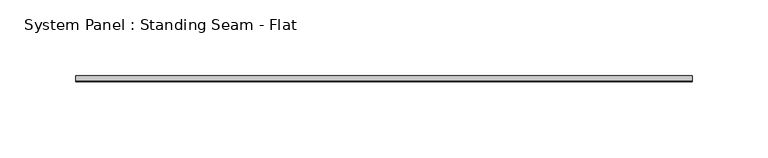
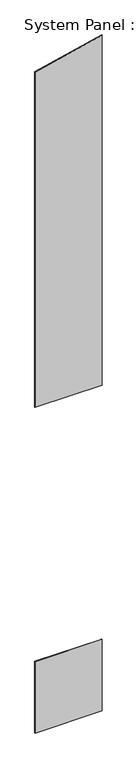
"""IFC4 building model written with IfcOpenShell, lengths in millimetres: plate geometry, System Panel : Standing Seam - Flat."""

from ifc_helpers import new_model, si_unit, frame, origin, origin_with_axes, place, context, project, spatial, polyline, outline, extrude, source, transform, mapped, element, save


def system_panel_standing_seam_flat_5b8e8763(model_context):
    return source(origin(), model_context, "Body", "SweptSolid", [
        extrude(outline(polyline([(203.2, -1.5875), (-203.2, -1.5875), (-203.2, 1.5875), (203.2, 1.5875), (203.2, -1.5875)])), origin_with_axes(), (0.0, 0.0, 1.0), 457.2),
        extrude(outline(polyline([(2082.8, -203.2), (2082.8, 203.2), (4319.9947876, 203.2), (4226.6120428, -203.2), (2082.8, -203.2)])), frame((0.0, -1.5875, 0.0), z_axis=(0.0, 1.0, 0.0), x_axis=(0.0, 0.0, 1.0)), (0.0, 0.0, 1.0), 3.175),
    ])


if __name__ == "__main__":
    model = new_model("IFC4")
    model_context = context("Model", 3, world=origin())
    ifc_project = project(units=[si_unit("LENGTHUNIT", "METRE", prefix="MILLI")], contexts=[model_context])
    site = spatial("IfcSite", under=ifc_project)
    building = spatial("IfcBuilding", under=site)
    placement = place(None, origin())
    system_panel_standing_seam_flat_shape = system_panel_standing_seam_flat_5b8e8763(model_context)
    element("IfcPlate", 1, ObjectType="System Panel : Standing Seam - Flat", at=placement, inside=building, context=model_context, shape_type="MappedRepresentation", body=[
        mapped(system_panel_standing_seam_flat_shape, transform((0.0, 0.0, 0.0), x_axis=(1.0, 0.0, 0.0), y_axis=(0.0, 1.0, 0.0), z_axis=(0.0, 0.0, 1.0))),
    ])
    save(model, "model.ifc")
